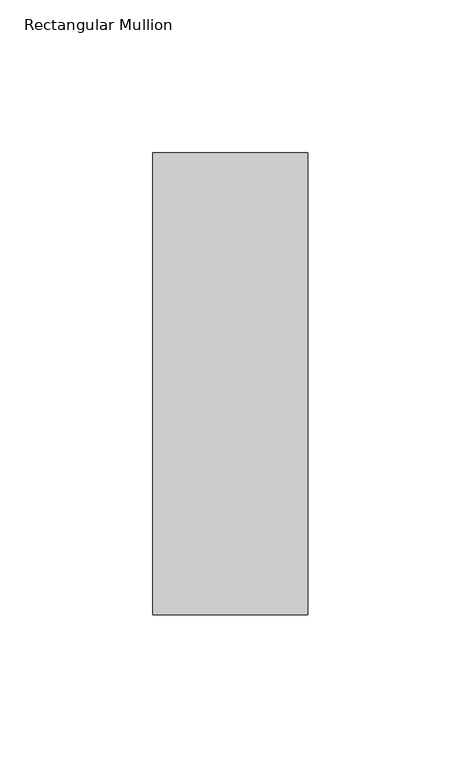
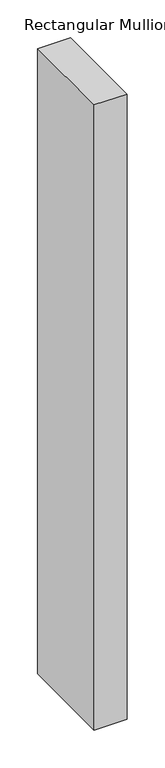
"""IFC4 building model written with IfcOpenShell, lengths in millimetres: member geometry, Rectangular Mullion."""

from ifc_helpers import new_model, si_unit, frame, origin, place, context, project, spatial, polyline, outline, extrude, source, transform, mapped, element, save


def rectangular_mullion_8b545ec9(model_context):
    return source(origin(), model_context, "Body", "SweptSolid", [
        extrude(outline(polyline([(-50.8, 25.4554419), (0.0, 25.4554419), (0.0, -125.8036906), (-50.8, -125.8036906), (-50.8, 25.4554419)])), frame((0.0, 0.0, -1016.0), z_axis=(0.0, 0.0, 1.0), x_axis=(1.0, 0.0, 0.0)), (0.0, 0.0, 1.0), 1016.0),
    ])


if __name__ == "__main__":
    model = new_model("IFC4")
    model_context = context("Model", 3, world=origin())
    ifc_project = project(units=[si_unit("LENGTHUNIT", "METRE", prefix="MILLI")], contexts=[model_context])
    site = spatial("IfcSite", under=ifc_project)
    building = spatial("IfcBuilding", under=site)
    placement = place(None, origin())
    rectangular_mullion_shape = rectangular_mullion_8b545ec9(model_context)
    element("IfcMember", 1, ObjectType="Rectangular Mullion", at=placement, inside=building, context=model_context, shape_type="MappedRepresentation", body=[
        mapped(rectangular_mullion_shape, transform((0.0, 0.0, 0.0), x_axis=(1.0, 0.0, 0.0), y_axis=(0.0, 1.0, 0.0), z_axis=(0.0, 0.0, 1.0))),
    ])
    save(model, "model.ifc")
